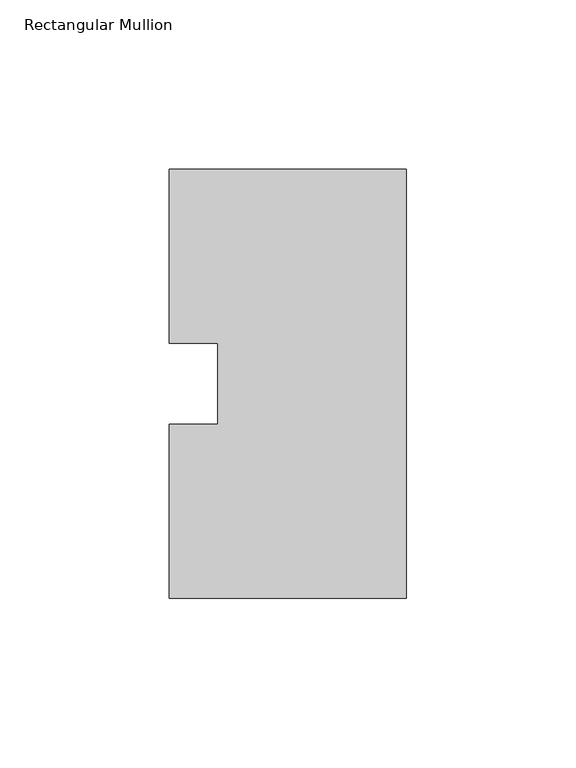
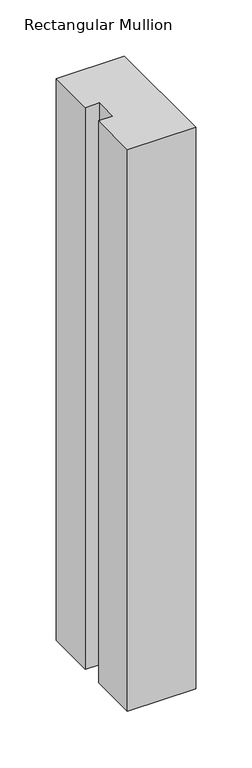
"""IFC4 building model written with IfcOpenShell, lengths in millimetres: member geometry, Rectangular Mullion."""

from ifc_helpers import new_model, si_unit, frame, origin, place, context, project, spatial, polyline, outline, extrude, source, transform, mapped, element, save


def rectangular_mullion_6ba7875c(model_context):
    return source(origin(), model_context, "Body", "SweptSolid", [
        extrude(outline(polyline([(0.0, 126.75235), (0.0, 0.26035), (-69.85, 0.26035), (-69.85, 51.60645), (-55.5625, 51.60645), (-55.5625, 75.40625), (-69.85, 75.40625), (-69.85, 126.75235), (0.0, 126.75235)])), frame((0.0, 0.0, -609.6), z_axis=(0.0, 0.0, 1.0), x_axis=(1.0, 0.0, 0.0)), (0.0, 0.0, 1.0), 609.6),
    ])


if __name__ == "__main__":
    model = new_model("IFC4")
    model_context = context("Model", 3, world=origin())
    ifc_project = project(units=[si_unit("LENGTHUNIT", "METRE", prefix="MILLI")], contexts=[model_context])
    site = spatial("IfcSite", under=ifc_project)
    building = spatial("IfcBuilding", under=site)
    placement = place(None, origin())
    rectangular_mullion_shape = rectangular_mullion_6ba7875c(model_context)
    element("IfcMember", 1, ObjectType="Rectangular Mullion", at=placement, inside=building, context=model_context, shape_type="MappedRepresentation", body=[
        mapped(rectangular_mullion_shape, transform((0.0, 0.0, 0.0), x_axis=(1.0, 0.0, 0.0), y_axis=(0.0, 1.0, 0.0), z_axis=(0.0, 0.0, 1.0))),
    ])
    save(model, "model.ifc")
